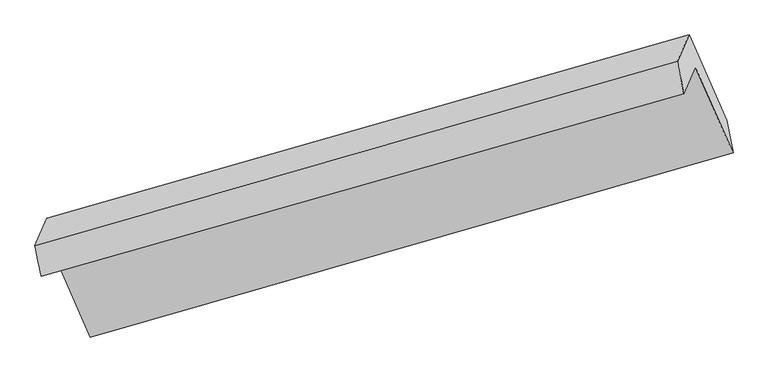
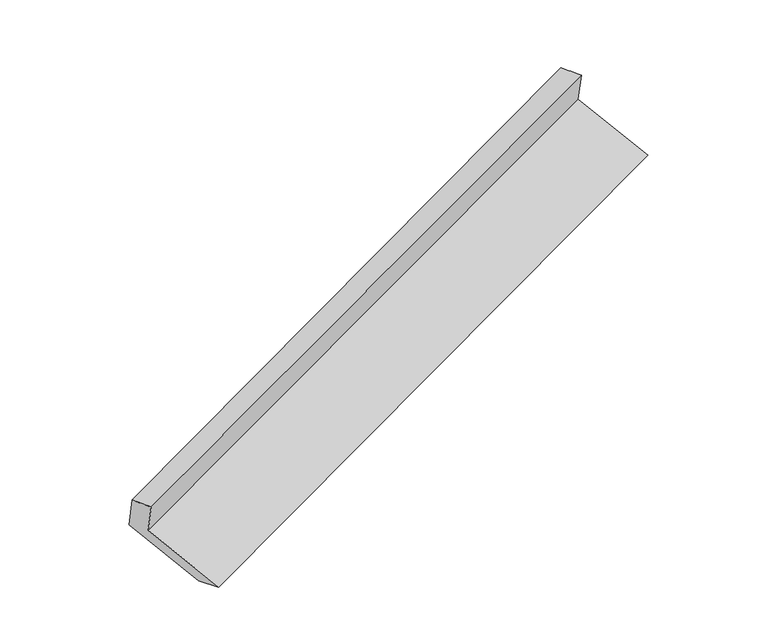
"""IFC4 building model written with IfcOpenShell, lengths in millimetres: proxy geometry."""

from ifc_helpers import new_model, si_unit, frame, origin, place, context, project, spatial, source, transform, mapped, element, save
from ifc_brep_helpers import plane_surface, spline_surface, advanced_brep


def generic_models_89242b51(model_context):
    return source(origin(), model_context, "Body", "AdvancedBrep", [
        advanced_brep(
        [(-5134.4646243, -2149.9996638, 1472.984649), (-5059.0394755, -1976.348523, 1133.0985235), (-740.2326793, -748.773374, 2707.2312959), (-817.5964882, -926.8878871, 3055.8535478), (-5175.6935408, -1944.6506094, 1424.5479429), (-860.6555945, -708.5149017, 3002.2180315), (-5096.3910719, -1762.072724, 1067.1895645), (-783.2917856, -530.4003887, 2653.5957795), (-4843.8110069, -2335.7826165, 830.126377), (-530.7117206, -1104.1102812, 2416.532592), (-4802.6905606, -2558.6189742, 892.4980197), (-487.6526142, -1322.4832666, 2470.1681083)],
        [
            (0, 1),
            (1, 2),
            (2, 3),
            (3, 0),
            (4, 0),
            (3, 5),
            (5, 4),
            (6, 4),
            (5, 7),
            (7, 6),
            (8, 6),
            (7, 9),
            (9, 8),
            (10, 8),
            (9, 11),
            (11, 10),
            (1, 10),
            (11, 2),
        ],
        [
            plane_surface(frame((-5096.7520499, -2063.1740934, 1303.0415863), z_axis=(0.3730742619774735, -0.8571440768514809, -0.3551332518483542), x_axis=(0.19386600018837258, 0.4463372309180052, -0.8736126431476421))),
            spline_surface(1, 1, [[(-5175.6935408, -1944.6506094, 1424.5479429), (-860.6555945, -708.5149017, 3002.2180315)], [(-5134.4646243, -2149.9996638, 1472.984649), (-817.5964882, -926.8878871, 3055.8535478)]], [2, 2], [2, 2], [0.0, 1.0], [0.0, 1.0]),
            plane_surface(frame((-5136.0423063, -1853.3616667, 1245.8687537), z_axis=(-0.37498044488016646, 0.8566018653533595, 0.35443322393734167), x_axis=(-0.19386600018837238, -0.44633723091800437, 0.8736126431476425))),
            plane_surface(frame((-4970.1010394, -2048.9276702, 948.6579708), z_axis=(0.19386600018837355, 0.44633723091800354, -0.8736126431476426), x_axis=(-0.37688498810181814, 0.8560558649195317, 0.353731624088609))),
            spline_surface(1, 1, [[(-4802.6905606, -2558.6189742, 892.4980197), (-487.6526142, -1322.4832666, 2470.1681083)], [(-4843.8110069, -2335.7826165, 830.126377), (-530.7117206, -1104.1102812, 2416.532592)]], [2, 2], [2, 2], [0.0, 1.0], [0.0, 1.0]),
            plane_surface(frame((-4930.865018, -2267.4837486, 1012.7982716), z_axis=(-0.19196186122305106, -0.44578835372983894, 0.8743130946718243), x_axis=(0.37688498810183, -0.8560558649195296, -0.3537316240886016))),
            plane_surface(frame((-703.3568137, -890.1950166, 2717.5998925), z_axis=(0.9057448204182315, 0.2606749555161016, 0.3341779284336778), x_axis=(-0.37688498810181814, 0.8560558649195317, 0.353731624088609))),
            plane_surface(frame((-5018.6817133, -2121.2455185, 1136.7408461), z_axis=(-0.9057448204182093, -0.2606749555161535, -0.33417792843369776), x_axis=(-0.1938660001883709, -0.4463372309180045, 0.8736126431476428))),
        ],
        [
            (0, [[1, 2, 3, 4]]),
            (1, [[5, -4, 6, 7]]),
            (2, [[8, -7, 9, 10]]),
            (3, [[11, -10, 12, 13]]),
            (4, [[14, -13, 15, 16]]),
            (5, [[17, -16, 18, -2]]),
            (6, [[-12, -9, -6, -3, -18, -15]]),
            (7, [[-1, -5, -8, -11, -14, -17]]),
        ],
    ),
    ])


if __name__ == "__main__":
    model = new_model("IFC4")
    model_context = context("Model", 3, world=origin())
    ifc_project = project(units=[si_unit("LENGTHUNIT", "METRE", prefix="MILLI")], contexts=[model_context])
    site = spatial("IfcSite", under=ifc_project)
    building = spatial("IfcBuilding", under=site)
    placement = place(None, origin())
    generic_models_shape = generic_models_89242b51(model_context)
    element("IfcBuildingElementProxy", 1, Name="Generic Models", at=placement, inside=building, context=model_context, shape_type="MappedRepresentation", body=[
        mapped(generic_models_shape, transform((0.0, 0.0, 0.0), x_axis=(1.0, 0.0, 0.0), y_axis=(0.0, 1.0, 0.0), z_axis=(0.0, 0.0, 1.0))),
    ])
    save(model, "model.ifc")
